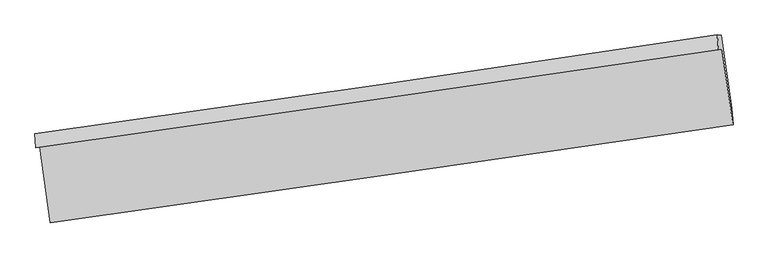
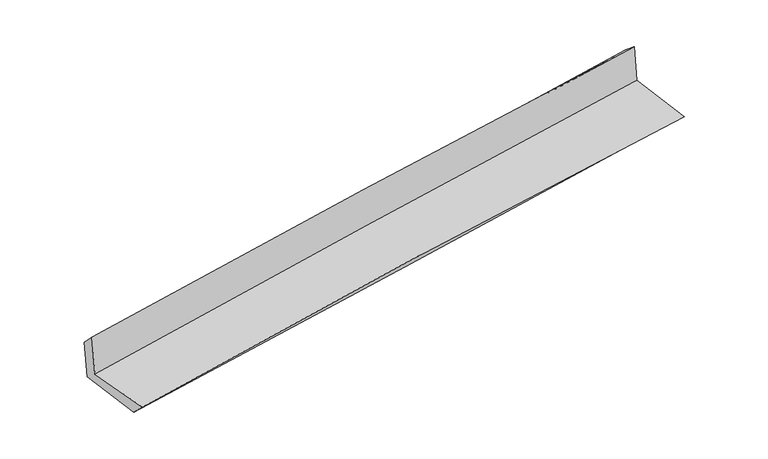
"""IFC4 building model written with IfcOpenShell, lengths in millimetres: proxy geometry."""

from ifc_helpers import new_model, si_unit, frame, origin, place, context, project, spatial, source, transform, mapped, element, save
from ifc_brep_helpers import plane_surface, spline_curve, spline_surface, advanced_brep


def generic_models_8367d293(model_context):
    return source(origin(), model_context, "Body", "AdvancedBrep", [
        advanced_brep(
        [(-2996.0153472, -1915.9031899, 1625.5760762), (-2901.3339146, -2577.3896592, 1641.981783), (3044.5345592, -1722.9079788, 2130.1344806), (2947.2877145, -1064.6052387, 2153.6784951), (-3029.3099595, -1923.6603318, 2035.1718156), (2916.8282724, -1071.7018287, 2528.3955092), (-3036.4685748, -1803.1713062, 1912.14673), (2907.1985713, -941.0996949, 2418.0643316), (-3005.0380793, -1800.2898634, 1533.15854), (2940.205793, -943.392699, 2029.1979509), (-2909.5645031, -2444.5019366, 1510.2873021), (3034.5259228, -1581.8833368, 2006.3625107)],
        [
            (0, 1),
            (1, 2, spline_curve(3, [(-2901.3339146, -2577.3896592, 1641.981783), (-1912.09259951, -2437.190940314, 1747.829267005), (-921.982532969, -2295.884720612, 1841.432421907), (1059.973627274, -2011.057490317, 2004.149951021), (2051.81971894, -1867.536483617, 2073.264362467), (3044.5345592, -1722.9079788, 2130.1344806)], [4, 2, 4], [0.0, 9.887141890409797, 19.77426906757247])),
            (2, 3),
            (3, 0, spline_curve(3, [(2947.2877145, -1064.6052387, 2153.6784951), (1956.198604345, -1209.276560051, 2076.883424998), (965.37916223, -1352.55366501, 1994.477391831), (-1015.721859088, -1636.319653129, 1818.443268789), (-2006.003437829, -1776.808531897, 1724.815162317), (-2996.0153472, -1915.9031899, 1625.5760762)], [4, 2, 4], [0.0, 9.887127177162672, 19.77426906757247])),
            (4, 0),
            (3, 5),
            (5, 4, spline_curve(3, [(2916.8282724, -1071.7018287, 2528.3955092), (1924.86160948, -1216.577606778, 2462.396235481), (933.367126664, -1360.011986119, 2388.294660893), (-1048.678951826, -1643.998157784, 2223.886786978), (-2039.230546653, -1784.549946458, 2133.580463968), (-3029.3099595, -1923.6603318, 2035.1718156)], [4, 2, 4], [0.0, 9.887182518437621, 19.774379750204723])),
            (6, 4),
            (5, 7),
            (7, 6, spline_curve(3, [(2907.1985713, -941.0996949, 2418.0643316), (1917.307720868, -1090.915814509, 2335.752664617), (927.057069134, -1237.6631239, 2252.437063167), (-1054.165311683, -1525.020337112, 2083.797865556), (-2045.137042025, -1665.630231288, 1998.474266582), (-3036.4685748, -1803.1713062, 1912.14673)], [4, 2, 4], [0.0, 9.887090810718448, 19.774196334629906])),
            (8, 6),
            (7, 9),
            (9, 8, spline_curve(3, [(2940.205793, -943.392699, 2029.1979509), (1949.939341767, -1090.583792979, 1946.83967621), (959.369495855, -1235.587385671, 1864.323952351), (-1022.378460795, -1521.219780457, 1698.977482621), (-2013.556571991, -1661.848576025, 1616.146736168), (-3005.0380793, -1800.2898634, 1533.15854)], [4, 2, 4], [0.0, 9.887052309652324, 19.774119332440364])),
            (10, 8),
            (9, 11),
            (11, 10, spline_curve(3, [(3034.5259228, -1581.8833368, 2006.3625107), (2044.726316967, -1731.914287637, 1923.97883149), (1054.486014505, -1878.814595259, 1841.447422076), (-926.877459759, -2166.354137888, 1676.089019687), (-1918.000632039, -2306.993363682, 1593.262026378), (-2909.5645031, -2444.5019366, 1510.2873021)], [4, 2, 4], [0.0, 9.886790291122468, 19.773595294990734])),
            (1, 10),
            (11, 2),
        ],
        [
            spline_surface(3, 3, [[(-2996.0153472, -1915.9031899, 1625.5760762), (-2006.003437761, -1776.808531792, 1724.815162291), (-1015.721859104, -1636.319653022, 1818.443268842), (965.379162245, -1352.553665117, 1994.477391778), (1956.198604195, -1209.276560198, 2076.883424855), (2947.2877145, -1064.6052387, 2153.6784951)], [(-2964.454869683, -2136.39867966, 1631.044645155), (-1974.699825018, -1996.936001321, 1732.486530576), (-984.475417098, -1856.17467552, 1826.106319838), (996.910650642, -1572.054940218, 1997.701578263), (1988.072309124, -1428.696534649, 2075.677070698), (2979.703329405, -1284.039485416, 2145.830490264)], [(-2932.894392117, -2356.89416944, 1636.513214045), (-1943.396212227, -2217.06347087, 1740.157898796), (-953.228975114, -2076.029698014, 1833.769370766), (1028.442139016, -1791.556215315, 2000.925764681), (2019.946014038, -1648.116509051, 2074.47071655), (3012.118944295, -1503.473732084, 2137.982485436)], [(-2901.3339146, -2577.3896592, 1641.981783), (-1912.092599484, -2437.190940399, 1747.829267081), (-921.982533107, -2295.884720512, 1841.432421762), (1059.973627413, -2011.057490417, 2004.149951166), (2051.819718967, -1867.536483502, 2073.264362394), (3044.5345592, -1722.9079788, 2130.1344806)]], [4, 4], [4, 2, 4], [0.0, 2.184804141586873], [0.0, 9.887141890409797, 19.77426906757247]),
            spline_surface(3, 3, [[(-3029.3099595, -1923.6603318, 2035.1718156), (-2039.230546662, -1784.54994642, 2133.580463882), (-1048.678951925, -1643.998157949, 2223.886787064), (933.367126764, -1360.011985954, 2388.294660807), (1924.86160936, -1216.577606734, 2462.39623551), (2916.8282724, -1071.7018287, 2528.3955092)], [(-3018.211755387, -1921.074617831, 1898.639902451), (-2028.154843682, -1781.969474875, 1997.325363336), (-1037.693254349, -1641.438656303, 2088.73894764), (944.037805227, -1357.525879005, 2257.022237781), (1935.307274314, -1214.143924535, 2333.891965289), (2926.981419776, -1069.33629868, 2403.48983783)], [(-3007.113551313, -1918.488903869, 1762.107989349), (-2017.079140741, -1779.389003337, 1861.070262837), (-1026.70755668, -1638.879154667, 1953.591108266), (954.708483782, -1355.039772066, 2125.749814805), (1945.75293924, -1211.710242398, 2205.387695077), (2937.134567124, -1066.97076872, 2278.58416647)], [(-2996.0153472, -1915.9031899, 1625.5760762), (-2006.003437761, -1776.808531792, 1724.815162291), (-1015.721859104, -1636.319653022, 1818.443268842), (965.379162245, -1352.553665117, 1994.477391778), (1956.198604195, -1209.276560198, 2076.883424855), (2947.2877145, -1064.6052387, 2153.6784951)]], [4, 4], [4, 2, 4], [0.0, 1.3156821933447598], [0.0, 9.887197231767102, 19.774379750204723]),
            spline_surface(3, 3, [[(-3036.4685748, -1803.1713062, 1912.14673), (-2045.137041975, -1665.630231156, 1998.474266584), (-1054.165311755, -1525.020336957, 2083.79786558), (927.057069207, -1237.663124054, 2252.437063142), (1917.307721022, -1090.915814492, 2335.752664646), (2907.1985713, -941.0996949, 2418.0643316)], [(-3034.082369709, -1843.334314755, 1953.155091877), (-2043.168210213, -1705.270136266, 2043.509665694), (-1052.336525129, -1564.679610629, 2130.494172726), (929.160421741, -1278.446078029, 2297.722929015), (1919.825683777, -1132.803078593, 2377.967188252), (2910.408471642, -984.63373952, 2454.841390784)], [(-3031.696164591, -1883.497323245, 1994.163453723), (-2041.199378424, -1744.91004131, 2088.545064772), (-1050.507738551, -1604.338884277, 2177.190479918), (931.263774229, -1319.22903198, 2343.008794934), (1922.343646605, -1174.690342633, 2420.181711904), (2913.618372058, -1028.16778408, 2491.618450016)], [(-3029.3099595, -1923.6603318, 2035.1718156), (-2039.230546662, -1784.54994642, 2133.580463882), (-1048.678951925, -1643.998157949, 2223.886787064), (933.367126764, -1360.011985954, 2388.294660807), (1924.86160936, -1216.577606734, 2462.39623551), (2916.8282724, -1071.7018287, 2528.3955092)]], [4, 4], [4, 2, 4], [0.0, 0.6016657086295449], [0.0, 9.887105523911458, 19.774196334629906]),
            spline_surface(3, 3, [[(-3005.0380793, -1800.2898634, 1533.15854), (-2013.556572101, -1661.848575865, 1616.146736216), (-1022.378460735, -1521.219780387, 1698.977482579), (959.369495795, -1235.587385741, 1864.323952394), (1949.939341864, -1090.583793089, 1946.839676364), (2940.205793, -943.392699, 2029.1979509)], [(-3015.51491113, -1801.250344315, 1659.487936659), (-2024.083395389, -1663.10912761, 1743.589246331), (-1032.974077748, -1522.486632586, 1827.250943605), (948.598686925, -1236.279298521, 1993.694989336), (1939.06213492, -1090.694466872, 2076.47733915), (2929.20338577, -942.628364281, 2158.820077826)], [(-3025.99174297, -1802.210825285, 1785.817333341), (-2034.610218687, -1664.369679411, 1871.031756469), (-1043.569694742, -1523.753484758, 1955.524404554), (937.827878076, -1236.971211274, 2123.066026201), (1928.184927966, -1090.80514071, 2206.115001859), (2918.20097853, -941.864029619, 2288.442204674)], [(-3036.4685748, -1803.1713062, 1912.14673), (-2045.137041975, -1665.630231156, 1998.474266584), (-1054.165311755, -1525.020336957, 2083.79786558), (927.057069207, -1237.663124054, 2252.437063142), (1917.307721022, -1090.915814492, 2335.752664646), (2907.1985713, -941.0996949, 2418.0643316)]], [4, 4], [4, 2, 4], [0.0, 1.2723245868534305], [0.0, 9.88706702278804, 19.774119332440364]),
            spline_surface(3, 3, [[(-2909.5645031, -2444.5019366, 1510.2873021), (-1918.000632197, -2306.993363536, 1593.262026283), (-926.877459618, -2166.354137865, 1676.089019664), (1054.486014365, -1878.814595281, 1841.447422099), (2044.726317097, -1731.914287685, 1923.978831568), (3034.5259228, -1581.8833368, 2006.3625107)], [(-2941.389028506, -2229.764578883, 1517.911048083), (-1949.852612171, -2091.945100996, 1600.890262944), (-958.71112664, -1951.309352026, 1683.718507278), (1022.780508192, -1664.405525422, 1849.072932173), (2013.130658684, -1518.137456168, 1931.599113158), (3003.085879532, -1369.053124215, 2013.974324092)], [(-2973.213553894, -2015.027221117, 1525.534794017), (-1981.704592127, -1876.896838405, 1608.518499556), (-990.544793713, -1736.264566226, 1691.347994965), (991.075001968, -1449.996455601, 1856.69844232), (1981.535000276, -1304.360624607, 1939.219394774), (2971.645836268, -1156.222911585, 2021.586137508)], [(-3005.0380793, -1800.2898634, 1533.15854), (-2013.556572101, -1661.848575865, 1616.146736216), (-1022.378460735, -1521.219780387, 1698.977482579), (959.369495795, -1235.587385741, 1864.323952394), (1949.939341864, -1090.583793089, 1946.839676364), (2940.205793, -943.392699, 2029.1979509)]], [4, 4], [4, 2, 4], [0.0, 2.1377793952713935], [0.0, 9.886805003868266, 19.773595294990734]),
            spline_surface(3, 3, [[(-2901.3339146, -2577.3896592, 1641.981783), (-1912.092599484, -2437.190940399, 1747.829267081), (-921.982533107, -2295.884720512, 1841.432421762), (1059.973627413, -2011.057490417, 2004.149951166), (2051.819718967, -1867.536483502, 2073.264362394), (3044.5345592, -1722.9079788, 2130.1344806)], [(-2904.077444085, -2533.093751655, 1598.083622675), (-1914.061943707, -2393.7917481, 1696.306853457), (-923.614175281, -2252.707859627, 1786.317954405), (1058.14442306, -1966.976525369, 1949.915774819), (2049.455251685, -1822.329084885, 2023.50251879), (3041.198347075, -1675.899764788, 2088.877157305)], [(-2906.820973615, -2488.797844145, 1554.185462425), (-1916.031287974, -2350.392555835, 1644.784439907), (-925.245817445, -2209.53099875, 1731.203487022), (1056.315218717, -1922.895560329, 1895.681598446), (2047.090784378, -1777.121686302, 1973.740675172), (3037.862134925, -1628.891550812, 2047.619833995)], [(-2909.5645031, -2444.5019366, 1510.2873021), (-1918.000632197, -2306.993363536, 1593.262026283), (-926.877459618, -2166.354137865, 1676.089019664), (1054.486014365, -1878.814595281, 1841.447422099), (2044.726317097, -1731.914287685, 1923.978831568), (3034.5259228, -1581.8833368, 2006.3625107)]], [4, 4], [4, 2, 4], [0.0, 0.6886780775571311], [0.0, 9.88669869623492, 19.77338267988224]),
            plane_surface(frame((2965.0968055, -1220.9317962, 2210.972213), z_axis=(0.9862853889733881, 0.1427336225987149, 0.08287487241293504), x_axis=(-0.08457503760419591, 0.005875408557081794, 0.9963997905401909))),
            plane_surface(frame((-2979.6217297, -2077.4860479, 1709.7203745), z_axis=(-0.9862150644486007, -0.14321673486838693, -0.0828783054139062), x_axis=(-0.14164758552437545, 0.9896128386053665, -0.024543658703290016))),
        ],
        [
            (0, [[1, 2, 3, 4]]),
            (1, [[5, -4, 6, 7]]),
            (2, [[8, -7, 9, 10]]),
            (3, [[11, -10, 12, 13]]),
            (4, [[14, -13, 15, 16]]),
            (5, [[17, -16, 18, -2]]),
            (6, [[-12, -9, -6, -3, -18, -15]]),
            (7, [[-1, -5, -8, -11, -14, -17]]),
        ],
    ),
    ])


if __name__ == "__main__":
    model = new_model("IFC4")
    model_context = context("Model", 3, world=origin())
    ifc_project = project(units=[si_unit("LENGTHUNIT", "METRE", prefix="MILLI")], contexts=[model_context])
    site = spatial("IfcSite", under=ifc_project)
    building = spatial("IfcBuilding", under=site)
    placement = place(None, origin())
    generic_models_shape = generic_models_8367d293(model_context)
    element("IfcBuildingElementProxy", 1, Name="Generic Models", at=placement, inside=building, context=model_context, shape_type="MappedRepresentation", body=[
        mapped(generic_models_shape, transform((0.0, 0.0, 0.0), x_axis=(1.0, 0.0, 0.0), y_axis=(0.0, 1.0, 0.0), z_axis=(0.0, 0.0, 1.0))),
    ])
    save(model, "model.ifc")
